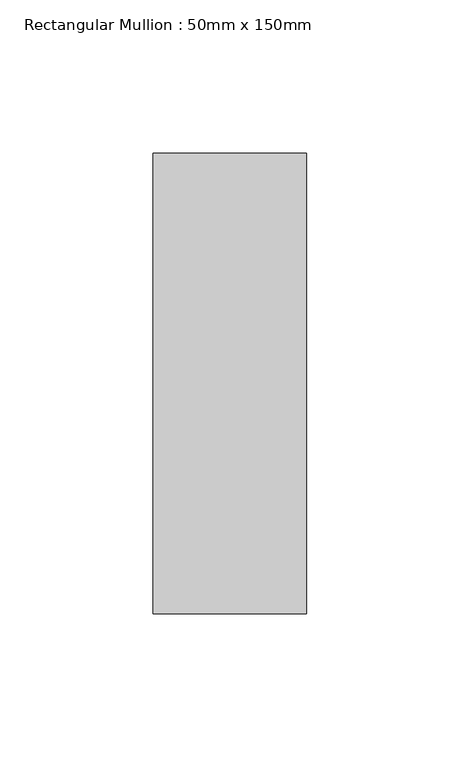
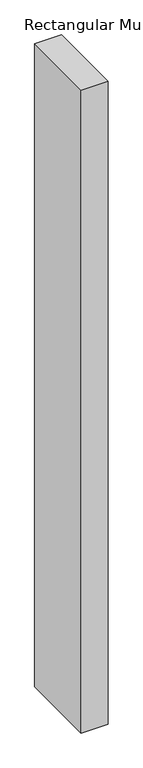
"""IFC4 building model written with IfcOpenShell, lengths in millimetres: member geometry, Rectangular Mullion : 50mm x 150mm."""

from ifc_helpers import new_model, si_unit, frame, origin, place, context, project, spatial, polyline, outline, extrude, source, transform, mapped, element, save


def rectangular_mullion_50mm_x_150mm_5534453e(model_context):
    return source(origin(), model_context, "Body", "SweptSolid", [
        extrude(outline(polyline([(0.0, 75.0), (0.0, -75.0), (-50.0, -75.0), (-50.0, 75.0), (0.0, 75.0)])), frame((0.0, 0.0, -1264.0287219), z_axis=(0.0, 0.0, 1.0), x_axis=(1.0, 0.0, 0.0)), (0.0, 0.0, 1.0), 1264.0287219),
    ])


if __name__ == "__main__":
    model = new_model("IFC4")
    model_context = context("Model", 3, world=origin())
    ifc_project = project(units=[si_unit("LENGTHUNIT", "METRE", prefix="MILLI")], contexts=[model_context])
    site = spatial("IfcSite", under=ifc_project)
    building = spatial("IfcBuilding", under=site)
    placement = place(None, origin())
    rectangular_mullion_50mm_x_150mm_shape = rectangular_mullion_50mm_x_150mm_5534453e(model_context)
    element("IfcMember", 1, ObjectType="Rectangular Mullion : 50mm x 150mm", at=placement, inside=building, context=model_context, shape_type="MappedRepresentation", body=[
        mapped(rectangular_mullion_50mm_x_150mm_shape, transform((0.0, 0.0, 0.0), x_axis=(1.0, 0.0, 0.0), y_axis=(0.0, 1.0, 0.0), z_axis=(0.0, 0.0, 1.0))),
    ])
    save(model, "model.ifc")
